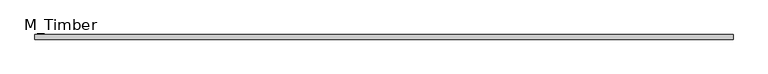
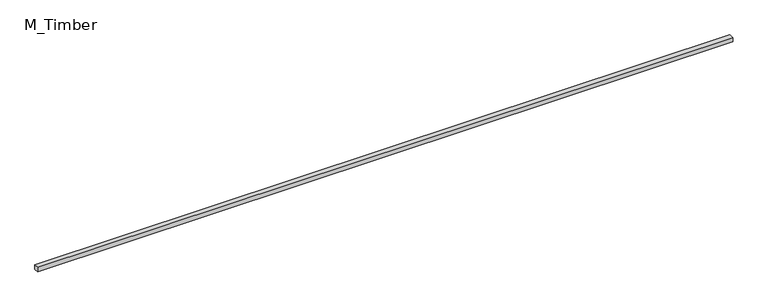
"""IFC4 building model written with IfcOpenShell, lengths in millimetres: beam geometry, M_Timber."""

from ifc_helpers import new_model, si_unit, frame, origin, place, context, project, spatial, polyline, outline, extrude, source, transform, mapped, element, save


def m_timber_72e14f0c(model_context):
    return source(origin(), model_context, "Body", "SweptSolid", [
        extrude(outline(polyline([(4532.4225196, 30.0), (4532.4225196, -30.0), (-4532.4225196, -30.0), (-4532.4225196, 30.0), (4532.4225196, 30.0)])), frame((0.0, 0.0, -30.0), z_axis=(0.0, 0.0, 1.0), x_axis=(1.0, 0.0, 0.0)), (0.0, 0.0, 1.0), 60.0),
    ])


if __name__ == "__main__":
    model = new_model("IFC4")
    model_context = context("Model", 3, world=origin())
    ifc_project = project(units=[si_unit("LENGTHUNIT", "METRE", prefix="MILLI")], contexts=[model_context])
    site = spatial("IfcSite", under=ifc_project)
    building = spatial("IfcBuilding", under=site)
    placement = place(None, origin())
    m_timber_shape = m_timber_72e14f0c(model_context)
    element("IfcBeam", 1, ObjectType="M_Timber", at=placement, inside=building, context=model_context, shape_type="MappedRepresentation", body=[
        mapped(m_timber_shape, transform((0.0, 0.0, 0.0), x_axis=(1.0, 0.0, 0.0), y_axis=(0.0, 1.0, 0.0), z_axis=(0.0, 0.0, 1.0))),
    ])
    save(model, "model.ifc")
